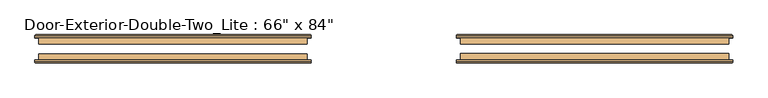
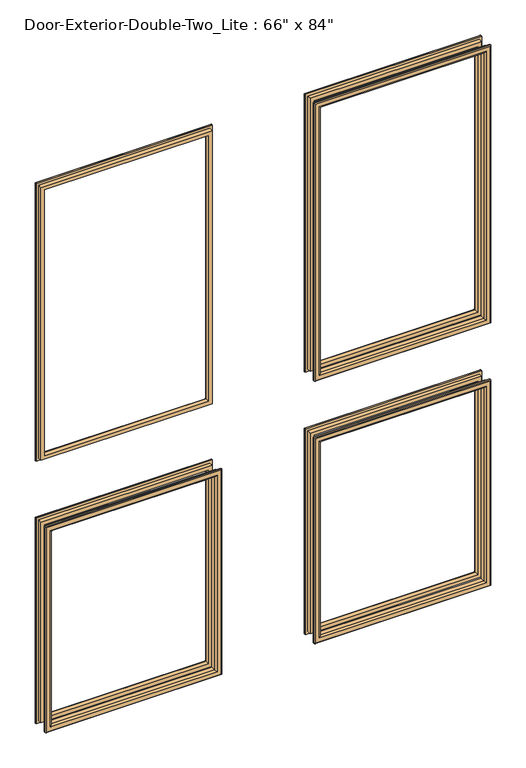
"""IFC4 building model written with IfcOpenShell, lengths in millimetres: door geometry."""

from ifc_helpers import new_model, si_unit, frame, origin, place, context, project, spatial, ellipse_curve, source, transform, mapped, element, save
from ifc_brep_helpers import plane_surface, cylinder_surface, advanced_brep


def door_9115c668(model_context):
    return source(origin(), model_context, "Body", "AdvancedBrep", [
        advanced_brep(
        [(-685.8, 144.4625, 914.4), (-685.8, 157.1625, 914.4), (-685.8, 157.1625, 254.0), (-685.8, 144.4625, 254.0), (-673.8, 158.1625, 902.4), (-673.8, 144.4625, 902.4), (-673.8, 144.4625, 266.0), (-673.8, 158.1625, 266.0), (-678.8, 163.1625, 907.4), (-678.8, 163.1625, 261.0), (-693.8, 161.1625, 922.4), (-691.8, 163.1625, 920.4), (-691.8, 163.1625, 248.0), (-693.8, 161.1625, 246.0), (-693.8, 157.1625, 922.4), (-693.8, 157.1625, 246.0), (-152.4, 157.1625, 254.0), (-152.4, 144.4625, 254.0), (-164.4, 144.4625, 266.0), (-164.4, 158.1625, 266.0), (-159.4, 163.1625, 261.0), (-146.4, 163.1625, 248.0), (-144.4, 161.1625, 246.0), (-144.4, 157.1625, 246.0), (-152.4, 157.1625, 914.4), (-152.4, 144.4625, 914.4), (-164.4, 144.4625, 902.4), (-164.4, 158.1625, 902.4), (-159.4, 163.1625, 907.4), (-146.4, 163.1625, 920.4), (-144.4, 161.1625, 922.4), (-144.4, 157.1625, 922.4)],
        [
            (0, 1),
            (1, 2),
            (2, 3),
            (3, 0),
            (4, 5),
            (5, 6),
            (6, 7),
            (7, 4),
            (8, 4, ellipse_curve(frame((-678.8, 158.1625, 907.4), z_axis=(-0.7071067811865475, 0.0, -0.7071067811865475), x_axis=(-0.7071067811865474, 0.0, 0.7071067811865476)), 7.0710678, 5.0)),
            (7, 9, ellipse_curve(frame((-678.8, 158.1625, 261.0), z_axis=(-0.7071067811865475, 0.0, 0.7071067811865475), x_axis=(0.7071067811865474, 0.0, 0.7071067811865476)), 7.0710678, 5.0)),
            (9, 8),
            (10, 11, ellipse_curve(frame((-691.8, 161.1625, 920.4), z_axis=(-0.7071067811865475, 0.0, -0.7071067811865475), x_axis=(-0.7071067811865474, 0.0, 0.7071067811865476)), 2.8284271, 2.0)),
            (11, 12),
            (12, 13, ellipse_curve(frame((-691.8, 161.1625, 248.0), z_axis=(-0.7071067811865475, 0.0, 0.7071067811865475), x_axis=(0.7071067811865474, 0.0, 0.7071067811865476)), 2.8284271, 2.0)),
            (13, 10),
            (14, 10),
            (13, 15),
            (15, 14),
            (2, 16),
            (16, 17),
            (17, 3),
            (6, 18),
            (18, 19),
            (19, 7),
            (19, 20, ellipse_curve(frame((-159.4, 158.1625, 261.0), z_axis=(-0.7071067811865475, 0.0, -0.7071067811865475), x_axis=(-0.7071067811865476, 0.0, 0.7071067811865474)), 7.0710678, 5.0)),
            (20, 9),
            (12, 21),
            (21, 22, ellipse_curve(frame((-146.4, 161.1625, 248.0), z_axis=(-0.7071067811865475, 0.0, -0.7071067811865475), x_axis=(-0.7071067811865476, 0.0, 0.7071067811865474)), 2.8284271, 2.0)),
            (22, 13),
            (22, 23),
            (23, 15),
            (16, 24),
            (24, 25),
            (25, 17),
            (18, 26),
            (26, 27),
            (27, 19),
            (27, 28, ellipse_curve(frame((-159.4, 158.1625, 907.4), z_axis=(0.7071067811865475, 0.0, -0.7071067811865475), x_axis=(-0.7071067811865474, 0.0, -0.7071067811865476)), 7.0710678, 5.0)),
            (28, 20),
            (21, 29),
            (29, 30, ellipse_curve(frame((-146.4, 161.1625, 920.4), z_axis=(0.7071067811865475, 0.0, -0.7071067811865475), x_axis=(-0.7071067811865474, 0.0, -0.7071067811865476)), 2.8284271, 2.0)),
            (30, 22),
            (30, 31),
            (31, 23),
            (31, 14),
            (1, 24),
            (0, 25),
            (5, 26),
            (4, 27),
            (8, 28),
            (11, 29),
            (10, 30),
        ],
        [
            plane_surface(frame((-685.8, 157.1625, 914.4), z_axis=(-1.0, 0.0, 0.0), x_axis=(0.0, 0.0, -1.0))),
            plane_surface(frame((-673.8, 144.4625, 902.4), z_axis=(1.0, 0.0, 0.0), x_axis=(0.0, 0.0, -1.0))),
            cylinder_surface(frame((-678.8, 158.1625, 914.4), z_axis=(0.0, 0.0, 1.0), x_axis=(-1.0, 0.0, 0.0)), 5.0),
            cylinder_surface(frame((-691.8, 161.1625, 914.4), z_axis=(0.0, 0.0, 1.0), x_axis=(-1.0, 0.0, 0.0)), 2.0),
            plane_surface(frame((-693.8, 161.1625, 922.4), z_axis=(-1.0, 0.0, 0.0), x_axis=(0.0, 0.0, -1.0))),
            plane_surface(frame((-685.8, 157.1625, 254.0), z_axis=(0.0, 0.0, -1.0), x_axis=(1.0, 0.0, 0.0))),
            plane_surface(frame((-673.8, 144.4625, 266.0), z_axis=(0.0, 0.0, 1.0), x_axis=(1.0, 0.0, 0.0))),
            cylinder_surface(frame((-685.8, 158.1625, 261.0), z_axis=(-1.0, 0.0, 0.0), x_axis=(0.0, 0.0, -1.0)), 5.0),
            cylinder_surface(frame((-685.8, 161.1625, 248.0), z_axis=(-1.0, 0.0, 0.0), x_axis=(0.0, 0.0, -1.0)), 2.0),
            plane_surface(frame((-693.8, 161.1625, 246.0), z_axis=(0.0, 0.0, -1.0), x_axis=(1.0, 0.0, 0.0))),
            plane_surface(frame((-152.4, 157.1625, 254.0), z_axis=(1.0, 0.0, 0.0), x_axis=(0.0, 0.0, 1.0))),
            plane_surface(frame((-164.4, 144.4625, 266.0), z_axis=(-1.0, 0.0, 0.0), x_axis=(0.0, 0.0, 1.0))),
            cylinder_surface(frame((-159.4, 158.1625, 254.0), z_axis=(0.0, 0.0, -1.0), x_axis=(1.0, 0.0, 0.0)), 5.0),
            cylinder_surface(frame((-146.4, 161.1625, 254.0), z_axis=(0.0, 0.0, -1.0), x_axis=(1.0, 0.0, 0.0)), 2.0),
            plane_surface(frame((-144.4, 161.1625, 246.0), z_axis=(1.0, 0.0, 0.0), x_axis=(0.0, 0.0, 1.0))),
            plane_surface(frame((-144.4, 157.1625, 922.4), z_axis=(0.0, -1.0, 0.0), x_axis=(-1.0, 0.0, 0.0))),
            plane_surface(frame((-152.4, 157.1625, 914.4), z_axis=(0.0, 0.0, 1.0), x_axis=(-1.0, 0.0, 0.0))),
            plane_surface(frame((-152.4, 144.4625, 914.4), z_axis=(0.0, -1.0, 0.0), x_axis=(-1.0, 0.0, 0.0))),
            plane_surface(frame((-164.4, 144.4625, 902.4), z_axis=(0.0, 0.0, -1.0), x_axis=(-1.0, 0.0, 0.0))),
            cylinder_surface(frame((-152.4, 158.1625, 907.4), z_axis=(1.0, 0.0, 0.0), x_axis=(0.0, 0.0, 1.0)), 5.0),
            plane_surface(frame((-159.4, 163.1625, 907.4), z_axis=(0.0, 1.0, 0.0), x_axis=(-1.0, 0.0, 0.0))),
            cylinder_surface(frame((-152.4, 161.1625, 920.4), z_axis=(1.0, 0.0, 0.0), x_axis=(0.0, 0.0, 1.0)), 2.0),
            plane_surface(frame((-144.4, 161.1625, 922.4), z_axis=(0.0, 0.0, 1.0), x_axis=(-1.0, 0.0, 0.0))),
        ],
        [
            (0, [[1, 2, 3, 4]]),
            (1, [[5, 6, 7, 8]]),
            (2, [[9, -8, 10, 11]]),
            (3, [[12, 13, 14, 15]]),
            (4, [[16, -15, 17, 18]]),
            (5, [[-3, 19, 20, 21]]),
            (6, [[-7, 22, 23, 24]]),
            (7, [[-10, -24, 25, 26]]),
            (8, [[-14, 27, 28, 29]]),
            (9, [[-17, -29, 30, 31]]),
            (10, [[-20, 32, 33, 34]]),
            (11, [[-23, 35, 36, 37]]),
            (12, [[-25, -37, 38, 39]]),
            (13, [[-28, 40, 41, 42]]),
            (14, [[-30, -42, 43, 44]]),
            (15, [[-31, -44, 45, -18], [46, -32, -19, -2]]),
            (16, [[-33, -46, -1, 47]]),
            (17, [[-21, -34, -47, -4], [48, -35, -22, -6]]),
            (18, [[-36, -48, -5, 49]]),
            (19, [[-38, -49, -9, 50]]),
            (20, [[51, -40, -27, -13], [-26, -39, -50, -11]]),
            (21, [[-41, -51, -12, 52]]),
            (22, [[-43, -52, -16, -45]]),
        ],
    ),
        advanced_brep(
        [(152.4, 144.4625, 914.4), (152.4, 157.1625, 914.4), (152.4, 157.1625, 254.0), (152.4, 144.4625, 254.0), (164.4, 158.1625, 902.4), (164.4, 144.4625, 902.4), (164.4, 144.4625, 266.0), (164.4, 158.1625, 266.0), (159.4, 163.1625, 907.4), (159.4, 163.1625, 261.0), (144.4, 161.1625, 922.4), (146.4, 163.1625, 920.4), (146.4, 163.1625, 248.0), (144.4, 161.1625, 246.0), (144.4, 157.1625, 922.4), (144.4, 157.1625, 246.0), (685.8, 157.1625, 254.0), (685.8, 144.4625, 254.0), (673.8, 144.4625, 266.0), (673.8, 158.1625, 266.0), (678.8, 163.1625, 261.0), (691.8, 163.1625, 248.0), (693.8, 161.1625, 246.0), (693.8, 157.1625, 246.0), (685.8, 157.1625, 914.4), (685.8, 144.4625, 914.4), (673.8, 144.4625, 902.4), (673.8, 158.1625, 902.4), (678.8, 163.1625, 907.4), (691.8, 163.1625, 920.4), (693.8, 161.1625, 922.4), (693.8, 157.1625, 922.4)],
        [
            (0, 1),
            (1, 2),
            (2, 3),
            (3, 0),
            (4, 5),
            (5, 6),
            (6, 7),
            (7, 4),
            (8, 4, ellipse_curve(frame((159.4, 158.1625, 907.4), z_axis=(-0.7071067811865475, 0.0, -0.7071067811865475), x_axis=(-0.7071067811865474, 0.0, 0.7071067811865476)), 7.0710678, 5.0)),
            (7, 9, ellipse_curve(frame((159.4, 158.1625, 261.0), z_axis=(-0.7071067811865475, 0.0, 0.7071067811865475), x_axis=(0.7071067811865474, 0.0, 0.7071067811865476)), 7.0710678, 5.0)),
            (9, 8),
            (10, 11, ellipse_curve(frame((146.4, 161.1625, 920.4), z_axis=(-0.7071067811865475, 0.0, -0.7071067811865475), x_axis=(-0.7071067811865474, 0.0, 0.7071067811865476)), 2.8284271, 2.0)),
            (11, 12),
            (12, 13, ellipse_curve(frame((146.4, 161.1625, 248.0), z_axis=(-0.7071067811865475, 0.0, 0.7071067811865475), x_axis=(0.7071067811865474, 0.0, 0.7071067811865476)), 2.8284271, 2.0)),
            (13, 10),
            (14, 10),
            (13, 15),
            (15, 14),
            (2, 16),
            (16, 17),
            (17, 3),
            (6, 18),
            (18, 19),
            (19, 7),
            (19, 20, ellipse_curve(frame((678.8, 158.1625, 261.0), z_axis=(-0.7071067811865475, 0.0, -0.7071067811865475), x_axis=(-0.7071067811865476, 0.0, 0.7071067811865474)), 7.0710678, 5.0)),
            (20, 9),
            (12, 21),
            (21, 22, ellipse_curve(frame((691.8, 161.1625, 248.0), z_axis=(-0.7071067811865475, 0.0, -0.7071067811865475), x_axis=(-0.7071067811865476, 0.0, 0.7071067811865474)), 2.8284271, 2.0)),
            (22, 13),
            (22, 23),
            (23, 15),
            (16, 24),
            (24, 25),
            (25, 17),
            (18, 26),
            (26, 27),
            (27, 19),
            (27, 28, ellipse_curve(frame((678.8, 158.1625, 907.4), z_axis=(0.7071067811865475, 0.0, -0.7071067811865475), x_axis=(-0.7071067811865474, 0.0, -0.7071067811865476)), 7.0710678, 5.0)),
            (28, 20),
            (21, 29),
            (29, 30, ellipse_curve(frame((691.8, 161.1625, 920.4), z_axis=(0.7071067811865475, 0.0, -0.7071067811865475), x_axis=(-0.7071067811865474, 0.0, -0.7071067811865476)), 2.8284271, 2.0)),
            (30, 22),
            (30, 31),
            (31, 23),
            (31, 14),
            (1, 24),
            (0, 25),
            (5, 26),
            (4, 27),
            (8, 28),
            (11, 29),
            (10, 30),
        ],
        [
            plane_surface(frame((152.4, 157.1625, 914.4), z_axis=(-1.0, 0.0, 0.0), x_axis=(0.0, 0.0, -1.0))),
            plane_surface(frame((164.4, 144.4625, 902.4), z_axis=(1.0, 0.0, 0.0), x_axis=(0.0, 0.0, -1.0))),
            cylinder_surface(frame((159.4, 158.1625, 914.4), z_axis=(0.0, 0.0, 1.0), x_axis=(-1.0, 0.0, 0.0)), 5.0),
            cylinder_surface(frame((146.4, 161.1625, 914.4), z_axis=(0.0, 0.0, 1.0), x_axis=(-1.0, 0.0, 0.0)), 2.0),
            plane_surface(frame((144.4, 161.1625, 922.4), z_axis=(-1.0, 0.0, 0.0), x_axis=(0.0, 0.0, -1.0))),
            plane_surface(frame((152.4, 157.1625, 254.0), z_axis=(0.0, 0.0, -1.0), x_axis=(1.0, 0.0, 0.0))),
            plane_surface(frame((164.4, 144.4625, 266.0), z_axis=(0.0, 0.0, 1.0), x_axis=(1.0, 0.0, 0.0))),
            cylinder_surface(frame((152.4, 158.1625, 261.0), z_axis=(-1.0, 0.0, 0.0), x_axis=(0.0, 0.0, -1.0)), 5.0),
            cylinder_surface(frame((152.4, 161.1625, 248.0), z_axis=(-1.0, 0.0, 0.0), x_axis=(0.0, 0.0, -1.0)), 2.0),
            plane_surface(frame((144.4, 161.1625, 246.0), z_axis=(0.0, 0.0, -1.0), x_axis=(1.0, 0.0, 0.0))),
            plane_surface(frame((685.8, 157.1625, 254.0), z_axis=(1.0, 0.0, 0.0), x_axis=(0.0, 0.0, 1.0))),
            plane_surface(frame((673.8, 144.4625, 266.0), z_axis=(-1.0, 0.0, 0.0), x_axis=(0.0, 0.0, 1.0))),
            cylinder_surface(frame((678.8, 158.1625, 254.0), z_axis=(0.0, 0.0, -1.0), x_axis=(1.0, 0.0, 0.0)), 5.0),
            cylinder_surface(frame((691.8, 161.1625, 254.0), z_axis=(0.0, 0.0, -1.0), x_axis=(1.0, 0.0, 0.0)), 2.0),
            plane_surface(frame((693.8, 161.1625, 246.0), z_axis=(1.0, 0.0, 0.0), x_axis=(0.0, 0.0, 1.0))),
            plane_surface(frame((693.8, 157.1625, 922.4), z_axis=(0.0, -1.0, 0.0), x_axis=(-1.0, 0.0, 0.0))),
            plane_surface(frame((685.8, 157.1625, 914.4), z_axis=(0.0, 0.0, 1.0), x_axis=(-1.0, 0.0, 0.0))),
            plane_surface(frame((685.8, 144.4625, 914.4), z_axis=(0.0, -1.0, 0.0), x_axis=(-1.0, 0.0, 0.0))),
            plane_surface(frame((673.8, 144.4625, 902.4), z_axis=(0.0, 0.0, -1.0), x_axis=(-1.0, 0.0, 0.0))),
            cylinder_surface(frame((685.8, 158.1625, 907.4), z_axis=(1.0, 0.0, 0.0), x_axis=(0.0, 0.0, 1.0)), 5.0),
            plane_surface(frame((678.8, 163.1625, 907.4), z_axis=(0.0, 1.0, 0.0), x_axis=(-1.0, 0.0, 0.0))),
            cylinder_surface(frame((685.8, 161.1625, 920.4), z_axis=(1.0, 0.0, 0.0), x_axis=(0.0, 0.0, 1.0)), 2.0),
            plane_surface(frame((693.8, 161.1625, 922.4), z_axis=(0.0, 0.0, 1.0), x_axis=(-1.0, 0.0, 0.0))),
        ],
        [
            (0, [[1, 2, 3, 4]]),
            (1, [[5, 6, 7, 8]]),
            (2, [[9, -8, 10, 11]]),
            (3, [[12, 13, 14, 15]]),
            (4, [[16, -15, 17, 18]]),
            (5, [[-3, 19, 20, 21]]),
            (6, [[-7, 22, 23, 24]]),
            (7, [[-10, -24, 25, 26]]),
            (8, [[-14, 27, 28, 29]]),
            (9, [[-17, -29, 30, 31]]),
            (10, [[-20, 32, 33, 34]]),
            (11, [[-23, 35, 36, 37]]),
            (12, [[-25, -37, 38, 39]]),
            (13, [[-28, 40, 41, 42]]),
            (14, [[-30, -42, 43, 44]]),
            (15, [[-31, -44, 45, -18], [46, -32, -19, -2]]),
            (16, [[-33, -46, -1, 47]]),
            (17, [[-21, -34, -47, -4], [48, -35, -22, -6]]),
            (18, [[-36, -48, -5, 49]]),
            (19, [[-38, -49, -9, 50]]),
            (20, [[51, -40, -27, -13], [-26, -39, -50, -11]]),
            (21, [[-41, -51, -12, 52]]),
            (22, [[-43, -52, -16, -45]]),
        ],
    ),
        advanced_brep(
        [(152.4, 144.4625, 2016.125), (152.4, 157.1625, 2016.125), (152.4, 157.1625, 1117.6), (152.4, 144.4625, 1117.6), (164.4, 158.1625, 2004.125), (164.4, 144.4625, 2004.125), (164.4, 144.4625, 1129.6), (164.4, 158.1625, 1129.6), (159.4, 163.1625, 2009.125), (159.4, 163.1625, 1124.6), (144.4, 161.1625, 2024.125), (146.4, 163.1625, 2022.125), (146.4, 163.1625, 1111.6), (144.4, 161.1625, 1109.6), (144.4, 157.1625, 2024.125), (144.4, 157.1625, 1109.6), (685.8, 157.1625, 1117.6), (685.8, 144.4625, 1117.6), (673.8, 144.4625, 1129.6), (673.8, 158.1625, 1129.6), (678.8, 163.1625, 1124.6), (691.8, 163.1625, 1111.6), (693.8, 161.1625, 1109.6), (693.8, 157.1625, 1109.6), (685.8, 157.1625, 2016.125), (685.8, 144.4625, 2016.125), (673.8, 144.4625, 2004.125), (673.8, 158.1625, 2004.125), (678.8, 163.1625, 2009.125), (691.8, 163.1625, 2022.125), (693.8, 161.1625, 2024.125), (693.8, 157.1625, 2024.125)],
        [
            (0, 1),
            (1, 2),
            (2, 3),
            (3, 0),
            (4, 5),
            (5, 6),
            (6, 7),
            (7, 4),
            (8, 4, ellipse_curve(frame((159.4, 158.1625, 2009.125), z_axis=(-0.7071067811865475, 0.0, -0.7071067811865475), x_axis=(-0.7071067811865474, 0.0, 0.7071067811865476)), 7.0710678, 5.0)),
            (7, 9, ellipse_curve(frame((159.4, 158.1625, 1124.6), z_axis=(-0.7071067811865475, 0.0, 0.7071067811865475), x_axis=(0.7071067811865474, 0.0, 0.7071067811865476)), 7.0710678, 5.0)),
            (9, 8),
            (10, 11, ellipse_curve(frame((146.4, 161.1625, 2022.125), z_axis=(-0.7071067811865475, 0.0, -0.7071067811865475), x_axis=(-0.7071067811865474, 0.0, 0.7071067811865476)), 2.8284271, 2.0)),
            (11, 12),
            (12, 13, ellipse_curve(frame((146.4, 161.1625, 1111.6), z_axis=(-0.7071067811865475, 0.0, 0.7071067811865475), x_axis=(0.7071067811865474, 0.0, 0.7071067811865476)), 2.8284271, 2.0)),
            (13, 10),
            (14, 10),
            (13, 15),
            (15, 14),
            (2, 16),
            (16, 17),
            (17, 3),
            (6, 18),
            (18, 19),
            (19, 7),
            (19, 20, ellipse_curve(frame((678.8, 158.1625, 1124.6), z_axis=(-0.7071067811865475, 0.0, -0.7071067811865475), x_axis=(-0.7071067811865476, 0.0, 0.7071067811865474)), 7.0710678, 5.0)),
            (20, 9),
            (12, 21),
            (21, 22, ellipse_curve(frame((691.8, 161.1625, 1111.6), z_axis=(-0.7071067811865475, 0.0, -0.7071067811865475), x_axis=(-0.7071067811865476, 0.0, 0.7071067811865474)), 2.8284271, 2.0)),
            (22, 13),
            (22, 23),
            (23, 15),
            (16, 24),
            (24, 25),
            (25, 17),
            (18, 26),
            (26, 27),
            (27, 19),
            (27, 28, ellipse_curve(frame((678.8, 158.1625, 2009.125), z_axis=(0.7071067811865475, 0.0, -0.7071067811865475), x_axis=(-0.7071067811865474, 0.0, -0.7071067811865476)), 7.0710678, 5.0)),
            (28, 20),
            (21, 29),
            (29, 30, ellipse_curve(frame((691.8, 161.1625, 2022.125), z_axis=(0.7071067811865475, 0.0, -0.7071067811865475), x_axis=(-0.7071067811865474, 0.0, -0.7071067811865476)), 2.8284271, 2.0)),
            (30, 22),
            (30, 31),
            (31, 23),
            (31, 14),
            (1, 24),
            (0, 25),
            (5, 26),
            (4, 27),
            (8, 28),
            (11, 29),
            (10, 30),
        ],
        [
            plane_surface(frame((152.4, 157.1625, 2016.125), z_axis=(-1.0, 0.0, 0.0), x_axis=(0.0, 0.0, -1.0))),
            plane_surface(frame((164.4, 144.4625, 2004.125), z_axis=(1.0, 0.0, 0.0), x_axis=(0.0, 0.0, -1.0))),
            cylinder_surface(frame((159.4, 158.1625, 2016.125), z_axis=(0.0, 0.0, 1.0), x_axis=(-1.0, 0.0, 0.0)), 5.0),
            cylinder_surface(frame((146.4, 161.1625, 2016.125), z_axis=(0.0, 0.0, 1.0), x_axis=(-1.0, 0.0, 0.0)), 2.0),
            plane_surface(frame((144.4, 161.1625, 2024.125), z_axis=(-1.0, 0.0, 0.0), x_axis=(0.0, 0.0, -1.0))),
            plane_surface(frame((152.4, 157.1625, 1117.6), z_axis=(0.0, 0.0, -1.0), x_axis=(1.0, 0.0, 0.0))),
            plane_surface(frame((164.4, 144.4625, 1129.6), z_axis=(0.0, 0.0, 1.0), x_axis=(1.0, 0.0, 0.0))),
            cylinder_surface(frame((152.4, 158.1625, 1124.6), z_axis=(-1.0, 0.0, 0.0), x_axis=(0.0, 0.0, -1.0)), 5.0),
            cylinder_surface(frame((152.4, 161.1625, 1111.6), z_axis=(-1.0, 0.0, 0.0), x_axis=(0.0, 0.0, -1.0)), 2.0),
            plane_surface(frame((144.4, 161.1625, 1109.6), z_axis=(0.0, 0.0, -1.0), x_axis=(1.0, 0.0, 0.0))),
            plane_surface(frame((685.8, 157.1625, 1117.6), z_axis=(1.0, 0.0, 0.0), x_axis=(0.0, 0.0, 1.0))),
            plane_surface(frame((673.8, 144.4625, 1129.6), z_axis=(-1.0, 0.0, 0.0), x_axis=(0.0, 0.0, 1.0))),
            cylinder_surface(frame((678.8, 158.1625, 1117.6), z_axis=(0.0, 0.0, -1.0), x_axis=(1.0, 0.0, 0.0)), 5.0),
            cylinder_surface(frame((691.8, 161.1625, 1117.6), z_axis=(0.0, 0.0, -1.0), x_axis=(1.0, 0.0, 0.0)), 2.0),
            plane_surface(frame((693.8, 161.1625, 1109.6), z_axis=(1.0, 0.0, 0.0), x_axis=(0.0, 0.0, 1.0))),
            plane_surface(frame((693.8, 157.1625, 2024.125), z_axis=(0.0, -1.0, 0.0), x_axis=(-1.0, 0.0, 0.0))),
            plane_surface(frame((685.8, 157.1625, 2016.125), z_axis=(0.0, 0.0, 1.0), x_axis=(-1.0, 0.0, 0.0))),
            plane_surface(frame((685.8, 144.4625, 2016.125), z_axis=(0.0, -1.0, 0.0), x_axis=(-1.0, 0.0, 0.0))),
            plane_surface(frame((673.8, 144.4625, 2004.125), z_axis=(0.0, 0.0, -1.0), x_axis=(-1.0, 0.0, 0.0))),
            cylinder_surface(frame((685.8, 158.1625, 2009.125), z_axis=(1.0, 0.0, 0.0), x_axis=(0.0, 0.0, 1.0)), 5.0),
            plane_surface(frame((678.8, 163.1625, 2009.125), z_axis=(0.0, 1.0, 0.0), x_axis=(-1.0, 0.0, 0.0))),
            cylinder_surface(frame((685.8, 161.1625, 2022.125), z_axis=(1.0, 0.0, 0.0), x_axis=(0.0, 0.0, 1.0)), 2.0),
            plane_surface(frame((693.8, 161.1625, 2024.125), z_axis=(0.0, 0.0, 1.0), x_axis=(-1.0, 0.0, 0.0))),
        ],
        [
            (0, [[1, 2, 3, 4]]),
            (1, [[5, 6, 7, 8]]),
            (2, [[9, -8, 10, 11]]),
            (3, [[12, 13, 14, 15]]),
            (4, [[16, -15, 17, 18]]),
            (5, [[-3, 19, 20, 21]]),
            (6, [[-7, 22, 23, 24]]),
            (7, [[-10, -24, 25, 26]]),
            (8, [[-14, 27, 28, 29]]),
            (9, [[-17, -29, 30, 31]]),
            (10, [[-20, 32, 33, 34]]),
            (11, [[-23, 35, 36, 37]]),
            (12, [[-25, -37, 38, 39]]),
            (13, [[-28, 40, 41, 42]]),
            (14, [[-30, -42, 43, 44]]),
            (15, [[-31, -44, 45, -18], [46, -32, -19, -2]]),
            (16, [[-33, -46, -1, 47]]),
            (17, [[-21, -34, -47, -4], [48, -35, -22, -6]]),
            (18, [[-36, -48, -5, 49]]),
            (19, [[-38, -49, -9, 50]]),
            (20, [[51, -40, -27, -13], [-26, -39, -50, -11]]),
            (21, [[-41, -51, -12, 52]]),
            (22, [[-43, -52, -16, -45]]),
        ],
    ),
        advanced_brep(
        [(-685.8, 144.4625, 2016.125), (-685.8, 157.1625, 2016.125), (-685.8, 157.1625, 1117.6), (-685.8, 144.4625, 1117.6), (-673.8, 158.1625, 2004.125), (-673.8, 144.4625, 2004.125), (-673.8, 144.4625, 1129.6), (-673.8, 158.1625, 1129.6), (-678.8, 163.1625, 2009.125), (-678.8, 163.1625, 1124.6), (-693.8, 161.1625, 2024.125), (-691.8, 163.1625, 2022.125), (-691.8, 163.1625, 1111.6), (-693.8, 161.1625, 1109.6), (-693.8, 157.1625, 2024.125), (-693.8, 157.1625, 1109.6), (-152.4, 157.1625, 1117.6), (-152.4, 144.4625, 1117.6), (-164.4, 144.4625, 1129.6), (-164.4, 158.1625, 1129.6), (-159.4, 163.1625, 1124.6), (-146.4, 163.1625, 1111.6), (-144.4, 161.1625, 1109.6), (-144.4, 157.1625, 1109.6), (-152.4, 157.1625, 2016.125), (-152.4, 144.4625, 2016.125), (-164.4, 144.4625, 2004.125), (-164.4, 158.1625, 2004.125), (-159.4, 163.1625, 2009.125), (-146.4, 163.1625, 2022.125), (-144.4, 161.1625, 2024.125), (-144.4, 157.1625, 2024.125)],
        [
            (0, 1),
            (1, 2),
            (2, 3),
            (3, 0),
            (4, 5),
            (5, 6),
            (6, 7),
            (7, 4),
            (8, 4, ellipse_curve(frame((-678.8, 158.1625, 2009.125), z_axis=(-0.7071067811865475, 0.0, -0.7071067811865475), x_axis=(-0.7071067811865474, 0.0, 0.7071067811865476)), 7.0710678, 5.0)),
            (7, 9, ellipse_curve(frame((-678.8, 158.1625, 1124.6), z_axis=(-0.7071067811865475, 0.0, 0.7071067811865475), x_axis=(0.7071067811865474, 0.0, 0.7071067811865476)), 7.0710678, 5.0)),
            (9, 8),
            (10, 11, ellipse_curve(frame((-691.8, 161.1625, 2022.125), z_axis=(-0.7071067811865475, 0.0, -0.7071067811865475), x_axis=(-0.7071067811865474, 0.0, 0.7071067811865476)), 2.8284271, 2.0)),
            (11, 12),
            (12, 13, ellipse_curve(frame((-691.8, 161.1625, 1111.6), z_axis=(-0.7071067811865475, 0.0, 0.7071067811865475), x_axis=(0.7071067811865474, 0.0, 0.7071067811865476)), 2.8284271, 2.0)),
            (13, 10),
            (14, 10),
            (13, 15),
            (15, 14),
            (2, 16),
            (16, 17),
            (17, 3),
            (6, 18),
            (18, 19),
            (19, 7),
            (19, 20, ellipse_curve(frame((-159.4, 158.1625, 1124.6), z_axis=(-0.7071067811865475, 0.0, -0.7071067811865475), x_axis=(-0.7071067811865476, 0.0, 0.7071067811865474)), 7.0710678, 5.0)),
            (20, 9),
            (12, 21),
            (21, 22, ellipse_curve(frame((-146.4, 161.1625, 1111.6), z_axis=(-0.7071067811865475, 0.0, -0.7071067811865475), x_axis=(-0.7071067811865476, 0.0, 0.7071067811865474)), 2.8284271, 2.0)),
            (22, 13),
            (22, 23),
            (23, 15),
            (16, 24),
            (24, 25),
            (25, 17),
            (18, 26),
            (26, 27),
            (27, 19),
            (27, 28, ellipse_curve(frame((-159.4, 158.1625, 2009.125), z_axis=(0.7071067811865475, 0.0, -0.7071067811865475), x_axis=(-0.7071067811865474, 0.0, -0.7071067811865476)), 7.0710678, 5.0)),
            (28, 20),
            (21, 29),
            (29, 30, ellipse_curve(frame((-146.4, 161.1625, 2022.125), z_axis=(0.7071067811865475, 0.0, -0.7071067811865475), x_axis=(-0.7071067811865474, 0.0, -0.7071067811865476)), 2.8284271, 2.0)),
            (30, 22),
            (30, 31),
            (31, 23),
            (31, 14),
            (1, 24),
            (0, 25),
            (5, 26),
            (4, 27),
            (8, 28),
            (11, 29),
            (10, 30),
        ],
        [
            plane_surface(frame((-685.8, 157.1625, 2016.125), z_axis=(-1.0, 0.0, 0.0), x_axis=(0.0, 0.0, -1.0))),
            plane_surface(frame((-673.8, 144.4625, 2004.125), z_axis=(1.0, 0.0, 0.0), x_axis=(0.0, 0.0, -1.0))),
            cylinder_surface(frame((-678.8, 158.1625, 2016.125), z_axis=(0.0, 0.0, 1.0), x_axis=(-1.0, 0.0, 0.0)), 5.0),
            cylinder_surface(frame((-691.8, 161.1625, 2016.125), z_axis=(0.0, 0.0, 1.0), x_axis=(-1.0, 0.0, 0.0)), 2.0),
            plane_surface(frame((-693.8, 161.1625, 2024.125), z_axis=(-1.0, 0.0, 0.0), x_axis=(0.0, 0.0, -1.0))),
            plane_surface(frame((-685.8, 157.1625, 1117.6), z_axis=(0.0, 0.0, -1.0), x_axis=(1.0, 0.0, 0.0))),
            plane_surface(frame((-673.8, 144.4625, 1129.6), z_axis=(0.0, 0.0, 1.0), x_axis=(1.0, 0.0, 0.0))),
            cylinder_surface(frame((-685.8, 158.1625, 1124.6), z_axis=(-1.0, 0.0, 0.0), x_axis=(0.0, 0.0, -1.0)), 5.0),
            cylinder_surface(frame((-685.8, 161.1625, 1111.6), z_axis=(-1.0, 0.0, 0.0), x_axis=(0.0, 0.0, -1.0)), 2.0),
            plane_surface(frame((-693.8, 161.1625, 1109.6), z_axis=(0.0, 0.0, -1.0), x_axis=(1.0, 0.0, 0.0))),
            plane_surface(frame((-152.4, 157.1625, 1117.6), z_axis=(1.0, 0.0, 0.0), x_axis=(0.0, 0.0, 1.0))),
            plane_surface(frame((-164.4, 144.4625, 1129.6), z_axis=(-1.0, 0.0, 0.0), x_axis=(0.0, 0.0, 1.0))),
            cylinder_surface(frame((-159.4, 158.1625, 1117.6), z_axis=(0.0, 0.0, -1.0), x_axis=(1.0, 0.0, 0.0)), 5.0),
            cylinder_surface(frame((-146.4, 161.1625, 1117.6), z_axis=(0.0, 0.0, -1.0), x_axis=(1.0, 0.0, 0.0)), 2.0),
            plane_surface(frame((-144.4, 161.1625, 1109.6), z_axis=(1.0, 0.0, 0.0), x_axis=(0.0, 0.0, 1.0))),
            plane_surface(frame((-144.4, 157.1625, 2024.125), z_axis=(0.0, -1.0, 0.0), x_axis=(-1.0, 0.0, 0.0))),
            plane_surface(frame((-152.4, 157.1625, 2016.125), z_axis=(0.0, 0.0, 1.0), x_axis=(-1.0, 0.0, 0.0))),
            plane_surface(frame((-152.4, 144.4625, 2016.125), z_axis=(0.0, -1.0, 0.0), x_axis=(-1.0, 0.0, 0.0))),
            plane_surface(frame((-164.4, 144.4625, 2004.125), z_axis=(0.0, 0.0, -1.0), x_axis=(-1.0, 0.0, 0.0))),
            cylinder_surface(frame((-152.4, 158.1625, 2009.125), z_axis=(1.0, 0.0, 0.0), x_axis=(0.0, 0.0, 1.0)), 5.0),
            plane_surface(frame((-159.4, 163.1625, 2009.125), z_axis=(0.0, 1.0, 0.0), x_axis=(-1.0, 0.0, 0.0))),
            cylinder_surface(frame((-152.4, 161.1625, 2022.125), z_axis=(1.0, 0.0, 0.0), x_axis=(0.0, 0.0, 1.0)), 2.0),
            plane_surface(frame((-144.4, 161.1625, 2024.125), z_axis=(0.0, 0.0, 1.0), x_axis=(-1.0, 0.0, 0.0))),
        ],
        [
            (0, [[1, 2, 3, 4]]),
            (1, [[5, 6, 7, 8]]),
            (2, [[9, -8, 10, 11]]),
            (3, [[12, 13, 14, 15]]),
            (4, [[16, -15, 17, 18]]),
            (5, [[-3, 19, 20, 21]]),
            (6, [[-7, 22, 23, 24]]),
            (7, [[-10, -24, 25, 26]]),
            (8, [[-14, 27, 28, 29]]),
            (9, [[-17, -29, 30, 31]]),
            (10, [[-20, 32, 33, 34]]),
            (11, [[-23, 35, 36, 37]]),
            (12, [[-25, -37, 38, 39]]),
            (13, [[-28, 40, 41, 42]]),
            (14, [[-30, -42, 43, 44]]),
            (15, [[-31, -44, 45, -18], [46, -32, -19, -2]]),
            (16, [[-33, -46, -1, 47]]),
            (17, [[-21, -34, -47, -4], [48, -35, -22, -6]]),
            (18, [[-36, -48, -5, 49]]),
            (19, [[-38, -49, -9, 50]]),
            (20, [[51, -40, -27, -13], [-26, -39, -50, -11]]),
            (21, [[-41, -51, -12, 52]]),
            (22, [[-43, -52, -16, -45]]),
        ],
    ),
        advanced_brep(
        [(-685.8, 125.4125, 254.0), (-685.8, 112.7125, 254.0), (-685.8, 112.7125, 914.4), (-685.8, 125.4125, 914.4), (-673.8, 111.7125, 266.0), (-673.8, 125.4125, 266.0), (-673.8, 125.4125, 902.4), (-673.8, 111.7125, 902.4), (-678.8, 106.7125, 261.0), (-678.8, 106.7125, 907.4), (-693.8, 108.7125, 246.0), (-691.8, 106.7125, 248.0), (-691.8, 106.7125, 920.4), (-693.8, 108.7125, 922.4), (-693.8, 112.7125, 246.0), (-693.8, 112.7125, 922.4), (-152.4, 112.7125, 914.4), (-152.4, 125.4125, 914.4), (-164.4, 125.4125, 902.4), (-164.4, 111.7125, 902.4), (-159.4, 106.7125, 907.4), (-146.4, 106.7125, 920.4), (-144.4, 108.7125, 922.4), (-144.4, 112.7125, 922.4), (-152.4, 112.7125, 254.0), (-152.4, 125.4125, 254.0), (-164.4, 125.4125, 266.0), (-164.4, 111.7125, 266.0), (-159.4, 106.7125, 261.0), (-146.4, 106.7125, 248.0), (-144.4, 108.7125, 246.0), (-144.4, 112.7125, 246.0)],
        [
            (0, 1),
            (1, 2),
            (2, 3),
            (3, 0),
            (4, 5),
            (5, 6),
            (6, 7),
            (7, 4),
            (8, 4, ellipse_curve(frame((-678.8, 111.7125, 261.0), z_axis=(-0.7071067811865475, 0.0, 0.7071067811865475), x_axis=(-0.7071067811865474, 0.0, -0.7071067811865476)), 7.0710678, 5.0)),
            (7, 9, ellipse_curve(frame((-678.8, 111.7125, 907.4), z_axis=(-0.7071067811865475, 0.0, -0.7071067811865475), x_axis=(0.7071067811865474, 0.0, -0.7071067811865476)), 7.0710678, 5.0)),
            (9, 8),
            (10, 11, ellipse_curve(frame((-691.8, 108.7125, 248.0), z_axis=(-0.7071067811865475, 0.0, 0.7071067811865475), x_axis=(-0.7071067811865474, 0.0, -0.7071067811865476)), 2.8284271, 2.0)),
            (11, 12),
            (12, 13, ellipse_curve(frame((-691.8, 108.7125, 920.4), z_axis=(-0.7071067811865475, 0.0, -0.7071067811865475), x_axis=(0.7071067811865474, 0.0, -0.7071067811865476)), 2.8284271, 2.0)),
            (13, 10),
            (14, 10),
            (13, 15),
            (15, 14),
            (2, 16),
            (16, 17),
            (17, 3),
            (6, 18),
            (18, 19),
            (19, 7),
            (19, 20, ellipse_curve(frame((-159.4, 111.7125, 907.4), z_axis=(-0.7071067811865475, 0.0, 0.7071067811865475), x_axis=(-0.7071067811865476, 0.0, -0.7071067811865474)), 7.0710678, 5.0)),
            (20, 9),
            (12, 21),
            (21, 22, ellipse_curve(frame((-146.4, 108.7125, 920.4), z_axis=(-0.7071067811865475, 0.0, 0.7071067811865475), x_axis=(-0.7071067811865476, 0.0, -0.7071067811865474)), 2.8284271, 2.0)),
            (22, 13),
            (22, 23),
            (23, 15),
            (16, 24),
            (24, 25),
            (25, 17),
            (18, 26),
            (26, 27),
            (27, 19),
            (27, 28, ellipse_curve(frame((-159.4, 111.7125, 261.0), z_axis=(0.7071067811865475, 0.0, 0.7071067811865475), x_axis=(-0.7071067811865474, 0.0, 0.7071067811865476)), 7.0710678, 5.0)),
            (28, 20),
            (21, 29),
            (29, 30, ellipse_curve(frame((-146.4, 108.7125, 248.0), z_axis=(0.7071067811865475, 0.0, 0.7071067811865475), x_axis=(-0.7071067811865474, 0.0, 0.7071067811865476)), 2.8284271, 2.0)),
            (30, 22),
            (30, 31),
            (31, 23),
            (31, 14),
            (1, 24),
            (0, 25),
            (5, 26),
            (4, 27),
            (8, 28),
            (11, 29),
            (10, 30),
        ],
        [
            plane_surface(frame((-685.8, 112.7125, 254.0), z_axis=(-1.0, 0.0, 0.0), x_axis=(0.0, 0.0, 1.0))),
            plane_surface(frame((-673.8, 125.4125, 266.0), z_axis=(1.0, 0.0, 0.0), x_axis=(0.0, 0.0, 1.0))),
            cylinder_surface(frame((-678.8, 111.7125, 254.0), z_axis=(0.0, 0.0, -1.0), x_axis=(-1.0, 0.0, 0.0)), 5.0),
            cylinder_surface(frame((-691.8, 108.7125, 254.0), z_axis=(0.0, 0.0, -1.0), x_axis=(-1.0, 0.0, 0.0)), 2.0),
            plane_surface(frame((-693.8, 108.7125, 246.0), z_axis=(-1.0, 0.0, 0.0), x_axis=(0.0, 0.0, 1.0))),
            plane_surface(frame((-685.8, 112.7125, 914.4), z_axis=(0.0, 0.0, 1.0), x_axis=(1.0, 0.0, 0.0))),
            plane_surface(frame((-673.8, 125.4125, 902.4), z_axis=(0.0, 0.0, -1.0), x_axis=(1.0, 0.0, 0.0))),
            cylinder_surface(frame((-685.8, 111.7125, 907.4), z_axis=(-1.0, 0.0, 0.0), x_axis=(0.0, 0.0, 1.0)), 5.0),
            cylinder_surface(frame((-685.8, 108.7125, 920.4), z_axis=(-1.0, 0.0, 0.0), x_axis=(0.0, 0.0, 1.0)), 2.0),
            plane_surface(frame((-693.8, 108.7125, 922.4), z_axis=(0.0, 0.0, 1.0), x_axis=(1.0, 0.0, 0.0))),
            plane_surface(frame((-152.4, 112.7125, 914.4), z_axis=(1.0, 0.0, 0.0), x_axis=(0.0, 0.0, -1.0))),
            plane_surface(frame((-164.4, 125.4125, 902.4), z_axis=(-1.0, 0.0, 0.0), x_axis=(0.0, 0.0, -1.0))),
            cylinder_surface(frame((-159.4, 111.7125, 914.4), z_axis=(0.0, 0.0, 1.0), x_axis=(1.0, 0.0, 0.0)), 5.0),
            cylinder_surface(frame((-146.4, 108.7125, 914.4), z_axis=(0.0, 0.0, 1.0), x_axis=(1.0, 0.0, 0.0)), 2.0),
            plane_surface(frame((-144.4, 108.7125, 922.4), z_axis=(1.0, 0.0, 0.0), x_axis=(0.0, 0.0, -1.0))),
            plane_surface(frame((-144.4, 112.7125, 246.0), z_axis=(0.0, 1.0, 0.0), x_axis=(-1.0, 0.0, 0.0))),
            plane_surface(frame((-152.4, 112.7125, 254.0), z_axis=(0.0, 0.0, -1.0), x_axis=(-1.0, 0.0, 0.0))),
            plane_surface(frame((-152.4, 125.4125, 254.0), z_axis=(0.0, 1.0, 0.0), x_axis=(-1.0, 0.0, 0.0))),
            plane_surface(frame((-164.4, 125.4125, 266.0), z_axis=(0.0, 0.0, 1.0), x_axis=(-1.0, 0.0, 0.0))),
            cylinder_surface(frame((-152.4, 111.7125, 261.0), z_axis=(1.0, 0.0, 0.0), x_axis=(0.0, 0.0, -1.0)), 5.0),
            plane_surface(frame((-159.4, 106.7125, 261.0), z_axis=(0.0, -1.0, 0.0), x_axis=(-1.0, 0.0, 0.0))),
            cylinder_surface(frame((-152.4, 108.7125, 248.0), z_axis=(1.0, 0.0, 0.0), x_axis=(0.0, 0.0, -1.0)), 2.0),
            plane_surface(frame((-144.4, 108.7125, 246.0), z_axis=(0.0, 0.0, -1.0), x_axis=(-1.0, 0.0, 0.0))),
        ],
        [
            (0, [[1, 2, 3, 4]]),
            (1, [[5, 6, 7, 8]]),
            (2, [[9, -8, 10, 11]]),
            (3, [[12, 13, 14, 15]]),
            (4, [[16, -15, 17, 18]]),
            (5, [[-3, 19, 20, 21]]),
            (6, [[-7, 22, 23, 24]]),
            (7, [[-10, -24, 25, 26]]),
            (8, [[-14, 27, 28, 29]]),
            (9, [[-17, -29, 30, 31]]),
            (10, [[-20, 32, 33, 34]]),
            (11, [[-23, 35, 36, 37]]),
            (12, [[-25, -37, 38, 39]]),
            (13, [[-28, 40, 41, 42]]),
            (14, [[-30, -42, 43, 44]]),
            (15, [[-31, -44, 45, -18], [46, -32, -19, -2]]),
            (16, [[-33, -46, -1, 47]]),
            (17, [[-21, -34, -47, -4], [48, -35, -22, -6]]),
            (18, [[-36, -48, -5, 49]]),
            (19, [[-38, -49, -9, 50]]),
            (20, [[51, -40, -27, -13], [-26, -39, -50, -11]]),
            (21, [[-41, -51, -12, 52]]),
            (22, [[-43, -52, -16, -45]]),
        ],
    ),
        advanced_brep(
        [(152.4, 125.4125, 254.0), (152.4, 112.7125, 254.0), (152.4, 112.7125, 914.4), (152.4, 125.4125, 914.4), (164.4, 111.7125, 266.0), (164.4, 125.4125, 266.0), (164.4, 125.4125, 902.4), (164.4, 111.7125, 902.4), (159.4, 106.7125, 261.0), (159.4, 106.7125, 907.4), (144.4, 108.7125, 246.0), (146.4, 106.7125, 248.0), (146.4, 106.7125, 920.4), (144.4, 108.7125, 922.4), (144.4, 112.7125, 246.0), (144.4, 112.7125, 922.4), (685.8, 112.7125, 914.4), (685.8, 125.4125, 914.4), (673.8, 125.4125, 902.4), (673.8, 111.7125, 902.4), (678.8, 106.7125, 907.4), (691.8, 106.7125, 920.4), (693.8, 108.7125, 922.4), (693.8, 112.7125, 922.4), (685.8, 112.7125, 254.0), (685.8, 125.4125, 254.0), (673.8, 125.4125, 266.0), (673.8, 111.7125, 266.0), (678.8, 106.7125, 261.0), (691.8, 106.7125, 248.0), (693.8, 108.7125, 246.0), (693.8, 112.7125, 246.0)],
        [
            (0, 1),
            (1, 2),
            (2, 3),
            (3, 0),
            (4, 5),
            (5, 6),
            (6, 7),
            (7, 4),
            (8, 4, ellipse_curve(frame((159.4, 111.7125, 261.0), z_axis=(-0.7071067811865475, 0.0, 0.7071067811865475), x_axis=(-0.7071067811865474, 0.0, -0.7071067811865476)), 7.0710678, 5.0)),
            (7, 9, ellipse_curve(frame((159.4, 111.7125, 907.4), z_axis=(-0.7071067811865475, 0.0, -0.7071067811865475), x_axis=(0.7071067811865474, 0.0, -0.7071067811865476)), 7.0710678, 5.0)),
            (9, 8),
            (10, 11, ellipse_curve(frame((146.4, 108.7125, 248.0), z_axis=(-0.7071067811865475, 0.0, 0.7071067811865475), x_axis=(-0.7071067811865474, 0.0, -0.7071067811865476)), 2.8284271, 2.0)),
            (11, 12),
            (12, 13, ellipse_curve(frame((146.4, 108.7125, 920.4), z_axis=(-0.7071067811865475, 0.0, -0.7071067811865475), x_axis=(0.7071067811865474, 0.0, -0.7071067811865476)), 2.8284271, 2.0)),
            (13, 10),
            (14, 10),
            (13, 15),
            (15, 14),
            (2, 16),
            (16, 17),
            (17, 3),
            (6, 18),
            (18, 19),
            (19, 7),
            (19, 20, ellipse_curve(frame((678.8, 111.7125, 907.4), z_axis=(-0.7071067811865475, 0.0, 0.7071067811865475), x_axis=(-0.7071067811865476, 0.0, -0.7071067811865474)), 7.0710678, 5.0)),
            (20, 9),
            (12, 21),
            (21, 22, ellipse_curve(frame((691.8, 108.7125, 920.4), z_axis=(-0.7071067811865475, 0.0, 0.7071067811865475), x_axis=(-0.7071067811865476, 0.0, -0.7071067811865474)), 2.8284271, 2.0)),
            (22, 13),
            (22, 23),
            (23, 15),
            (16, 24),
            (24, 25),
            (25, 17),
            (18, 26),
            (26, 27),
            (27, 19),
            (27, 28, ellipse_curve(frame((678.8, 111.7125, 261.0), z_axis=(0.7071067811865475, 0.0, 0.7071067811865475), x_axis=(-0.7071067811865474, 0.0, 0.7071067811865476)), 7.0710678, 5.0)),
            (28, 20),
            (21, 29),
            (29, 30, ellipse_curve(frame((691.8, 108.7125, 248.0), z_axis=(0.7071067811865475, 0.0, 0.7071067811865475), x_axis=(-0.7071067811865474, 0.0, 0.7071067811865476)), 2.8284271, 2.0)),
            (30, 22),
            (30, 31),
            (31, 23),
            (31, 14),
            (1, 24),
            (0, 25),
            (5, 26),
            (4, 27),
            (8, 28),
            (11, 29),
            (10, 30),
        ],
        [
            plane_surface(frame((152.4, 112.7125, 254.0), z_axis=(-1.0, 0.0, 0.0), x_axis=(0.0, 0.0, 1.0))),
            plane_surface(frame((164.4, 125.4125, 266.0), z_axis=(1.0, 0.0, 0.0), x_axis=(0.0, 0.0, 1.0))),
            cylinder_surface(frame((159.4, 111.7125, 254.0), z_axis=(0.0, 0.0, -1.0), x_axis=(-1.0, 0.0, 0.0)), 5.0),
            cylinder_surface(frame((146.4, 108.7125, 254.0), z_axis=(0.0, 0.0, -1.0), x_axis=(-1.0, 0.0, 0.0)), 2.0),
            plane_surface(frame((144.4, 108.7125, 246.0), z_axis=(-1.0, 0.0, 0.0), x_axis=(0.0, 0.0, 1.0))),
            plane_surface(frame((152.4, 112.7125, 914.4), z_axis=(0.0, 0.0, 1.0), x_axis=(1.0, 0.0, 0.0))),
            plane_surface(frame((164.4, 125.4125, 902.4), z_axis=(0.0, 0.0, -1.0), x_axis=(1.0, 0.0, 0.0))),
            cylinder_surface(frame((152.4, 111.7125, 907.4), z_axis=(-1.0, 0.0, 0.0), x_axis=(0.0, 0.0, 1.0)), 5.0),
            cylinder_surface(frame((152.4, 108.7125, 920.4), z_axis=(-1.0, 0.0, 0.0), x_axis=(0.0, 0.0, 1.0)), 2.0),
            plane_surface(frame((144.4, 108.7125, 922.4), z_axis=(0.0, 0.0, 1.0), x_axis=(1.0, 0.0, 0.0))),
            plane_surface(frame((685.8, 112.7125, 914.4), z_axis=(1.0, 0.0, 0.0), x_axis=(0.0, 0.0, -1.0))),
            plane_surface(frame((673.8, 125.4125, 902.4), z_axis=(-1.0, 0.0, 0.0), x_axis=(0.0, 0.0, -1.0))),
            cylinder_surface(frame((678.8, 111.7125, 914.4), z_axis=(0.0, 0.0, 1.0), x_axis=(1.0, 0.0, 0.0)), 5.0),
            cylinder_surface(frame((691.8, 108.7125, 914.4), z_axis=(0.0, 0.0, 1.0), x_axis=(1.0, 0.0, 0.0)), 2.0),
            plane_surface(frame((693.8, 108.7125, 922.4), z_axis=(1.0, 0.0, 0.0), x_axis=(0.0, 0.0, -1.0))),
            plane_surface(frame((693.8, 112.7125, 246.0), z_axis=(0.0, 1.0, 0.0), x_axis=(-1.0, 0.0, 0.0))),
            plane_surface(frame((685.8, 112.7125, 254.0), z_axis=(0.0, 0.0, -1.0), x_axis=(-1.0, 0.0, 0.0))),
            plane_surface(frame((685.8, 125.4125, 254.0), z_axis=(0.0, 1.0, 0.0), x_axis=(-1.0, 0.0, 0.0))),
            plane_surface(frame((673.8, 125.4125, 266.0), z_axis=(0.0, 0.0, 1.0), x_axis=(-1.0, 0.0, 0.0))),
            cylinder_surface(frame((685.8, 111.7125, 261.0), z_axis=(1.0, 0.0, 0.0), x_axis=(0.0, 0.0, -1.0)), 5.0),
            plane_surface(frame((678.8, 106.7125, 261.0), z_axis=(0.0, -1.0, 0.0), x_axis=(-1.0, 0.0, 0.0))),
            cylinder_surface(frame((685.8, 108.7125, 248.0), z_axis=(1.0, 0.0, 0.0), x_axis=(0.0, 0.0, -1.0)), 2.0),
            plane_surface(frame((693.8, 108.7125, 246.0), z_axis=(0.0, 0.0, -1.0), x_axis=(-1.0, 0.0, 0.0))),
        ],
        [
            (0, [[1, 2, 3, 4]]),
            (1, [[5, 6, 7, 8]]),
            (2, [[9, -8, 10, 11]]),
            (3, [[12, 13, 14, 15]]),
            (4, [[16, -15, 17, 18]]),
            (5, [[-3, 19, 20, 21]]),
            (6, [[-7, 22, 23, 24]]),
            (7, [[-10, -24, 25, 26]]),
            (8, [[-14, 27, 28, 29]]),
            (9, [[-17, -29, 30, 31]]),
            (10, [[-20, 32, 33, 34]]),
            (11, [[-23, 35, 36, 37]]),
            (12, [[-25, -37, 38, 39]]),
            (13, [[-28, 40, 41, 42]]),
            (14, [[-30, -42, 43, 44]]),
            (15, [[-31, -44, 45, -18], [46, -32, -19, -2]]),
            (16, [[-33, -46, -1, 47]]),
            (17, [[-21, -34, -47, -4], [48, -35, -22, -6]]),
            (18, [[-36, -48, -5, 49]]),
            (19, [[-38, -49, -9, 50]]),
            (20, [[51, -40, -27, -13], [-26, -39, -50, -11]]),
            (21, [[-41, -51, -12, 52]]),
            (22, [[-43, -52, -16, -45]]),
        ],
    ),
        advanced_brep(
        [(152.4, 125.4125, 1117.6), (152.4, 112.7125, 1117.6), (152.4, 112.7125, 2016.125), (152.4, 125.4125, 2016.125), (164.4, 111.7125, 1129.6), (164.4, 125.4125, 1129.6), (164.4, 125.4125, 2004.125), (164.4, 111.7125, 2004.125), (159.4, 106.7125, 1124.6), (159.4, 106.7125, 2009.125), (144.4, 108.7125, 1109.6), (146.4, 106.7125, 1111.6), (146.4, 106.7125, 2022.125), (144.4, 108.7125, 2024.125), (144.4, 112.7125, 1109.6), (144.4, 112.7125, 2024.125), (685.8, 112.7125, 2016.125), (685.8, 125.4125, 2016.125), (673.8, 125.4125, 2004.125), (673.8, 111.7125, 2004.125), (678.8, 106.7125, 2009.125), (691.8, 106.7125, 2022.125), (693.8, 108.7125, 2024.125), (693.8, 112.7125, 2024.125), (685.8, 112.7125, 1117.6), (685.8, 125.4125, 1117.6), (673.8, 125.4125, 1129.6), (673.8, 111.7125, 1129.6), (678.8, 106.7125, 1124.6), (691.8, 106.7125, 1111.6), (693.8, 108.7125, 1109.6), (693.8, 112.7125, 1109.6)],
        [
            (0, 1),
            (1, 2),
            (2, 3),
            (3, 0),
            (4, 5),
            (5, 6),
            (6, 7),
            (7, 4),
            (8, 4, ellipse_curve(frame((159.4, 111.7125, 1124.6), z_axis=(-0.7071067811865475, 0.0, 0.7071067811865475), x_axis=(-0.7071067811865474, 0.0, -0.7071067811865476)), 7.0710678, 5.0)),
            (7, 9, ellipse_curve(frame((159.4, 111.7125, 2009.125), z_axis=(-0.7071067811865475, 0.0, -0.7071067811865475), x_axis=(0.7071067811865474, 0.0, -0.7071067811865476)), 7.0710678, 5.0)),
            (9, 8),
            (10, 11, ellipse_curve(frame((146.4, 108.7125, 1111.6), z_axis=(-0.7071067811865475, 0.0, 0.7071067811865475), x_axis=(-0.7071067811865474, 0.0, -0.7071067811865476)), 2.8284271, 2.0)),
            (11, 12),
            (12, 13, ellipse_curve(frame((146.4, 108.7125, 2022.125), z_axis=(-0.7071067811865475, 0.0, -0.7071067811865475), x_axis=(0.7071067811865474, 0.0, -0.7071067811865476)), 2.8284271, 2.0)),
            (13, 10),
            (14, 10),
            (13, 15),
            (15, 14),
            (2, 16),
            (16, 17),
            (17, 3),
            (6, 18),
            (18, 19),
            (19, 7),
            (19, 20, ellipse_curve(frame((678.8, 111.7125, 2009.125), z_axis=(-0.7071067811865475, 0.0, 0.7071067811865475), x_axis=(-0.7071067811865476, 0.0, -0.7071067811865474)), 7.0710678, 5.0)),
            (20, 9),
            (12, 21),
            (21, 22, ellipse_curve(frame((691.8, 108.7125, 2022.125), z_axis=(-0.7071067811865475, 0.0, 0.7071067811865475), x_axis=(-0.7071067811865476, 0.0, -0.7071067811865474)), 2.8284271, 2.0)),
            (22, 13),
            (22, 23),
            (23, 15),
            (16, 24),
            (24, 25),
            (25, 17),
            (18, 26),
            (26, 27),
            (27, 19),
            (27, 28, ellipse_curve(frame((678.8, 111.7125, 1124.6), z_axis=(0.7071067811865475, 0.0, 0.7071067811865475), x_axis=(-0.7071067811865474, 0.0, 0.7071067811865476)), 7.0710678, 5.0)),
            (28, 20),
            (21, 29),
            (29, 30, ellipse_curve(frame((691.8, 108.7125, 1111.6), z_axis=(0.7071067811865475, 0.0, 0.7071067811865475), x_axis=(-0.7071067811865474, 0.0, 0.7071067811865476)), 2.8284271, 2.0)),
            (30, 22),
            (30, 31),
            (31, 23),
            (31, 14),
            (1, 24),
            (0, 25),
            (5, 26),
            (4, 27),
            (8, 28),
            (11, 29),
            (10, 30),
        ],
        [
            plane_surface(frame((152.4, 112.7125, 1117.6), z_axis=(-1.0, 0.0, 0.0), x_axis=(0.0, 0.0, 1.0))),
            plane_surface(frame((164.4, 125.4125, 1129.6), z_axis=(1.0, 0.0, 0.0), x_axis=(0.0, 0.0, 1.0))),
            cylinder_surface(frame((159.4, 111.7125, 1117.6), z_axis=(0.0, 0.0, -1.0), x_axis=(-1.0, 0.0, 0.0)), 5.0),
            cylinder_surface(frame((146.4, 108.7125, 1117.6), z_axis=(0.0, 0.0, -1.0), x_axis=(-1.0, 0.0, 0.0)), 2.0),
            plane_surface(frame((144.4, 108.7125, 1109.6), z_axis=(-1.0, 0.0, 0.0), x_axis=(0.0, 0.0, 1.0))),
            plane_surface(frame((152.4, 112.7125, 2016.125), z_axis=(0.0, 0.0, 1.0), x_axis=(1.0, 0.0, 0.0))),
            plane_surface(frame((164.4, 125.4125, 2004.125), z_axis=(0.0, 0.0, -1.0), x_axis=(1.0, 0.0, 0.0))),
            cylinder_surface(frame((152.4, 111.7125, 2009.125), z_axis=(-1.0, 0.0, 0.0), x_axis=(0.0, 0.0, 1.0)), 5.0),
            cylinder_surface(frame((152.4, 108.7125, 2022.125), z_axis=(-1.0, 0.0, 0.0), x_axis=(0.0, 0.0, 1.0)), 2.0),
            plane_surface(frame((144.4, 108.7125, 2024.125), z_axis=(0.0, 0.0, 1.0), x_axis=(1.0, 0.0, 0.0))),
            plane_surface(frame((685.8, 112.7125, 2016.125), z_axis=(1.0, 0.0, 0.0), x_axis=(0.0, 0.0, -1.0))),
            plane_surface(frame((673.8, 125.4125, 2004.125), z_axis=(-1.0, 0.0, 0.0), x_axis=(0.0, 0.0, -1.0))),
            cylinder_surface(frame((678.8, 111.7125, 2016.125), z_axis=(0.0, 0.0, 1.0), x_axis=(1.0, 0.0, 0.0)), 5.0),
            cylinder_surface(frame((691.8, 108.7125, 2016.125), z_axis=(0.0, 0.0, 1.0), x_axis=(1.0, 0.0, 0.0)), 2.0),
            plane_surface(frame((693.8, 108.7125, 2024.125), z_axis=(1.0, 0.0, 0.0), x_axis=(0.0, 0.0, -1.0))),
            plane_surface(frame((693.8, 112.7125, 1109.6), z_axis=(0.0, 1.0, 0.0), x_axis=(-1.0, 0.0, 0.0))),
            plane_surface(frame((685.8, 112.7125, 1117.6), z_axis=(0.0, 0.0, -1.0), x_axis=(-1.0, 0.0, 0.0))),
            plane_surface(frame((685.8, 125.4125, 1117.6), z_axis=(0.0, 1.0, 0.0), x_axis=(-1.0, 0.0, 0.0))),
            plane_surface(frame((673.8, 125.4125, 1129.6), z_axis=(0.0, 0.0, 1.0), x_axis=(-1.0, 0.0, 0.0))),
            cylinder_surface(frame((685.8, 111.7125, 1124.6), z_axis=(1.0, 0.0, 0.0), x_axis=(0.0, 0.0, -1.0)), 5.0),
            plane_surface(frame((678.8, 106.7125, 1124.6), z_axis=(0.0, -1.0, 0.0), x_axis=(-1.0, 0.0, 0.0))),
            cylinder_surface(frame((685.8, 108.7125, 1111.6), z_axis=(1.0, 0.0, 0.0), x_axis=(0.0, 0.0, -1.0)), 2.0),
            plane_surface(frame((693.8, 108.7125, 1109.6), z_axis=(0.0, 0.0, -1.0), x_axis=(-1.0, 0.0, 0.0))),
        ],
        [
            (0, [[1, 2, 3, 4]]),
            (1, [[5, 6, 7, 8]]),
            (2, [[9, -8, 10, 11]]),
            (3, [[12, 13, 14, 15]]),
            (4, [[16, -15, 17, 18]]),
            (5, [[-3, 19, 20, 21]]),
            (6, [[-7, 22, 23, 24]]),
            (7, [[-10, -24, 25, 26]]),
            (8, [[-14, 27, 28, 29]]),
            (9, [[-17, -29, 30, 31]]),
            (10, [[-20, 32, 33, 34]]),
            (11, [[-23, 35, 36, 37]]),
            (12, [[-25, -37, 38, 39]]),
            (13, [[-28, 40, 41, 42]]),
            (14, [[-30, -42, 43, 44]]),
            (15, [[-31, -44, 45, -18], [46, -32, -19, -2]]),
            (16, [[-33, -46, -1, 47]]),
            (17, [[-21, -34, -47, -4], [48, -35, -22, -6]]),
            (18, [[-36, -48, -5, 49]]),
            (19, [[-38, -49, -9, 50]]),
            (20, [[51, -40, -27, -13], [-26, -39, -50, -11]]),
            (21, [[-41, -51, -12, 52]]),
            (22, [[-43, -52, -16, -45]]),
        ],
    ),
    ])


if __name__ == "__main__":
    model = new_model("IFC4")
    model_context = context("Model", 3, world=origin())
    ifc_project = project(units=[si_unit("LENGTHUNIT", "METRE", prefix="MILLI")], contexts=[model_context])
    site = spatial("IfcSite", under=ifc_project)
    building = spatial("IfcBuilding", under=site)
    placement = place(None, origin())
    door_shape = door_9115c668(model_context)
    element("IfcDoor", 1, ObjectType="Door-Exterior-Double-Two_Lite : 66\" x 84\"", at=placement, inside=building, context=model_context, shape_type="MappedRepresentation", body=[
        mapped(door_shape, transform((0.0, 0.0, 0.0), x_axis=(1.0, 0.0, 0.0), y_axis=(0.0, 1.0, 0.0), z_axis=(0.0, 0.0, 1.0))),
    ])
    save(model, "model.ifc")
